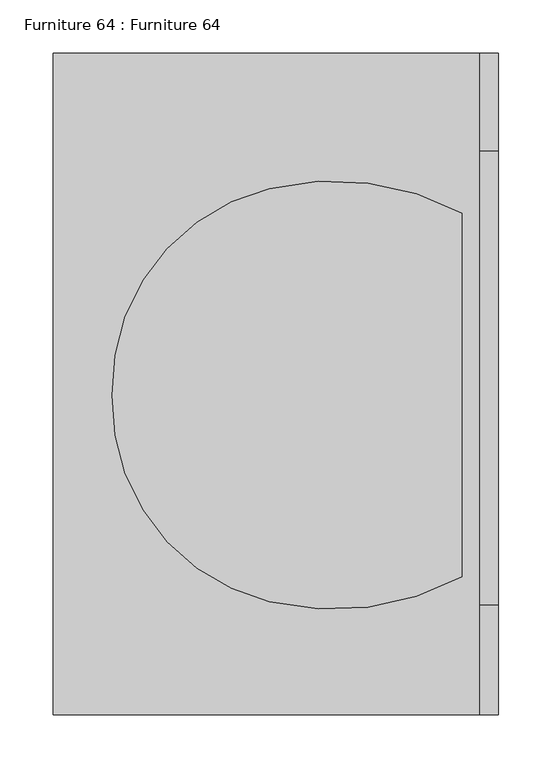
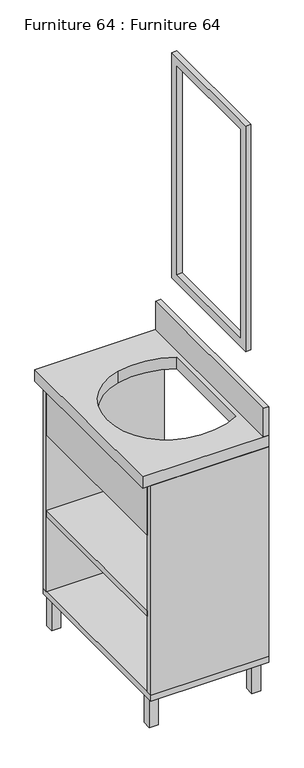
"""IFC4 building model written with IfcOpenShell, lengths in millimetres: furniture geometry, Furniture 64 : Furniture 64."""

from ifc_helpers import new_model, si_unit, point, frame, frame_2d, origin, place, context, project, spatial, polyline, circle_curve, trimmed, segment, composite_curve, outline, extrude, source, transform, mapped, element, save


def furniture_64_furniture_64_9819b94f(model_context):
    return source(origin(), model_context, "Body", "SweptSolid", [
        extrude(outline(polyline([(1088.9448119, -8021.481769), (1088.9448119, -8051.481769), (1058.9448119, -8051.481769), (1058.9448119, -8021.481769), (1088.9448119, -8021.481769)])), frame((0.0, 0.0, 150.0), z_axis=(0.0, 0.0, 1.0), x_axis=(1.0, 0.0, 0.0)), (0.0, 0.0, 1.0), 103.1194123),
        extrude(outline(polyline([(1088.9448119, -8612.3283265), (1058.9448119, -8612.3283265), (1058.9448119, -8582.3283265), (1088.9448119, -8582.3283265), (1088.9448119, -8612.3283265)])), frame((0.0, 0.0, 150.0), z_axis=(0.0, 0.0, 1.0), x_axis=(1.0, 0.0, 0.0)), (0.0, 0.0, 1.0), 103.1194123),
        extrude(outline(polyline([(1399.6896688, -8021.481769), (1429.6896688, -8021.481769), (1429.6896688, -8051.481769), (1399.6896688, -8051.481769), (1399.6896688, -8021.481769)])), frame((0.0, 0.0, 150.0), z_axis=(0.0, 0.0, 1.0), x_axis=(1.0, 0.0, 0.0)), (0.0, 0.0, 1.0), 103.1194123),
        extrude(outline(polyline([(1399.6896688, -8612.3283265), (1399.6896688, -8582.3283265), (1429.6896688, -8582.3283265), (1429.6896688, -8612.3283265), (1399.6896688, -8612.3283265)])), frame((0.0, 0.0, 150.0), z_axis=(0.0, 0.0, 1.0), x_axis=(1.0, 0.0, 0.0)), (0.0, 0.0, 1.0), 103.1194123),
        extrude(outline(polyline([(1055.867901, -8026.481769), (1055.867901, -8006.481769), (1447.3819848, -8006.481769), (1447.3819848, -8026.481769), (1055.867901, -8026.481769)])), frame((0.0, 0.0, 273.1194123), z_axis=(0.0, 0.0, 1.0), x_axis=(1.0, 0.0, 0.0)), (0.0, 0.0, 1.0), 736.8805877),
        extrude(outline(polyline([(1055.867901, -8627.3283265), (1055.867901, -8607.3283265), (1447.3819848, -8607.3283265), (1447.3819848, -8627.3283265), (1055.867901, -8627.3283265)])), frame((0.0, 0.0, 273.1194123), z_axis=(0.0, 0.0, 1.0), x_axis=(1.0, 0.0, 0.0)), (0.0, 0.0, 1.0), 736.8805877),
        extrude(outline(polyline([(-8524.4629786, 2079.3014053), (-8098.4996489, 2079.3014053), (-8098.4996489, 1287.4365671), (-8524.4629786, 1287.4365671), (-8524.4629786, 2079.3014053)]), holes=[polyline([(-8494.4629786, 2049.3014053), (-8494.4629786, 1317.4365671), (-8128.4996489, 1317.4365671), (-8128.4996489, 2049.3014053), (-8494.4629786, 2049.3014053)])]), frame((1430.114469, 0.0, 0.0), z_axis=(1.0, 0.0, 0.0), x_axis=(0.0, 1.0, 0.0)), (0.0, 0.0, 1.0), 17.2675158),
        extrude(outline(polyline([(1429.6896688, -8627.3283265), (1429.6896688, -8006.481769), (1447.3819848, -8006.481769), (1447.3819848, -8627.3283265), (1429.6896688, -8627.3283265)])), frame((0.0, 0.0, 1050.0), z_axis=(0.0, 0.0, 1.0), x_axis=(1.0, 0.0, 0.0)), (0.0, 0.0, 1.0), 100.3298471),
        extrude(outline(polyline([(1055.867901, -8607.3283265), (1055.867901, -8026.481769), (1447.3819848, -8026.481769), (1447.3819848, -8607.3283265), (1055.867901, -8607.3283265)])), frame((0.0, 0.0, 538.1194123), z_axis=(0.0, 0.0, 1.0), x_axis=(1.0, 0.0, 0.0)), (0.0, 0.0, 1.0), 20.6746123),
        extrude(outline(polyline([(1055.867901, -8627.3283265), (1055.867901, -8006.481769), (1447.3819848, -8006.481769), (1447.3819848, -8627.3283265), (1055.867901, -8627.3283265)])), frame((0.0, 0.0, 253.1194123), z_axis=(0.0, 0.0, 1.0), x_axis=(1.0, 0.0, 0.0)), (0.0, 0.0, 1.0), 20.0),
        extrude(outline(polyline([(1055.867901, -8607.3283265), (1055.867901, -8026.481769), (1075.3101371, -8026.481769), (1075.3101371, -8607.3283265), (1055.867901, -8607.3283265)])), frame((0.0, 0.0, 823.887165), z_axis=(0.0, 0.0, 1.0), x_axis=(1.0, 0.0, 0.0)), (0.0, 0.0, 1.0), 186.112835),
        extrude(outline(polyline([(1028.9448119, -8627.3283265), (1028.9448119, -8006.481769), (1447.3819848, -8006.481769), (1447.3819848, -8627.3283265), (1028.9448119, -8627.3283265)]), holes=[composite_curve([segment(trimmed(circle_curve(frame_2d((1277.9209002, -8333.2091647)), 193.5258724), [point((1084.4844015, -8327.3283265))], [point((1232.2997429, -8521.2808886))], True, "CARTESIAN"), True, "CONTINUOUS"), segment(trimmed(circle_curve(frame_2d((1292.2823452, -8274.0045791)), 254.4474127), [point((1232.2997429, -8521.2808886))], [point((1413.0446489, -8497.9687544))], True, "CARTESIAN"), True, "CONTINUOUS"), segment(polyline([(1413.0446489, -8497.9687544), (1413.0446489, -8156.6878986)]), True, "CONTINUOUS"), segment(trimmed(circle_curve(frame_2d((1292.2823452, -8380.652074)), 254.4474127), [point((1413.0446489, -8156.6878986))], [point((1232.2997429, -8133.3757645))], True, "CARTESIAN"), True, "CONTINUOUS"), segment(trimmed(circle_curve(frame_2d((1277.9209002, -8321.4474883)), 193.5258724), [point((1232.2997429, -8133.3757645))], [point((1084.4844015, -8327.3283265))], True, "CARTESIAN"), True, "CONTINUOUS")], self_intersect=False)]), frame((0.0, 0.0, 1010.0), z_axis=(0.0, 0.0, 1.0), x_axis=(1.0, 0.0, 0.0)), (0.0, 0.0, 1.0), 40.0),
    ])


if __name__ == "__main__":
    model = new_model("IFC4")
    model_context = context("Model", 3, world=origin())
    ifc_project = project(units=[si_unit("LENGTHUNIT", "METRE", prefix="MILLI")], contexts=[model_context])
    site = spatial("IfcSite", under=ifc_project)
    building = spatial("IfcBuilding", under=site)
    placement = place(None, origin())
    furniture_64_furniture_64_shape = furniture_64_furniture_64_9819b94f(model_context)
    element("IfcFurniture", 1, ObjectType="Furniture 64 : Furniture 64", at=placement, inside=building, context=model_context, shape_type="MappedRepresentation", body=[
        mapped(furniture_64_furniture_64_shape, transform((0.0, 0.0, 0.0), x_axis=(1.0, 0.0, 0.0), y_axis=(0.0, 1.0, 0.0), z_axis=(0.0, 0.0, 1.0))),
    ])
    save(model, "model.ifc")
